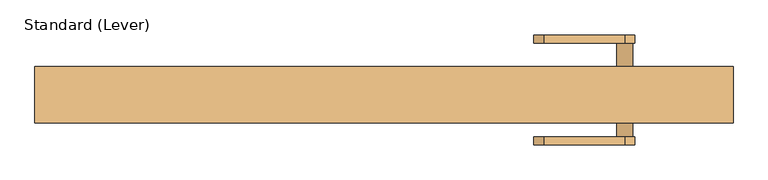
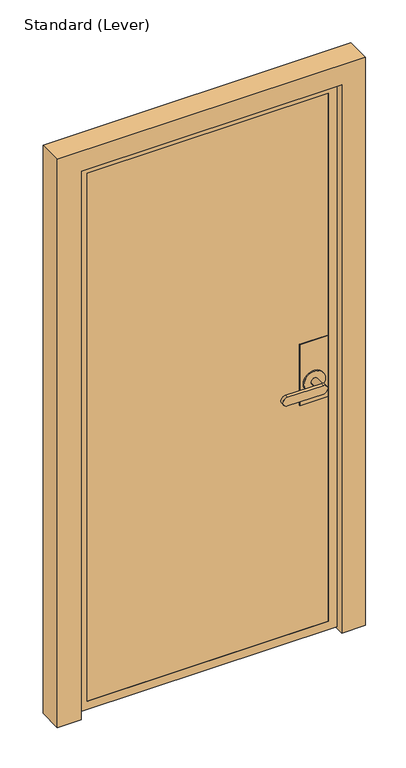
"""IFC4 building model written with IfcOpenShell, lengths in millimetres: door geometry, Standard (Lever)."""

import ifcopenshell
import ifcopenshell.guid

model = None  # the IFC model being written
_history = None  # IfcOwnerHistory: only IFC2X3 demands one
_inside = {}  # id of a spatial element -> (the spatial element, [elements in it])
_under = {}  # id of a project, library or spatial element -> (it, [spatial elements below it])
_declared = {}  # id of a project -> (the project, [libraries it declares])
_typed = {}  # id of a type object -> (the type object, [elements of that type])
_made_of = {}  # id of a material, layer set ... -> (it, [elements and type objects made of it])


def new_model(schema):
    """Start an empty IFC model of exactly this schema.

    Asked for "IFC4X3", IfcOpenShell would pick the latest addendum, in which some entities
    have other attributes; the version numbers below select the first issue.
    IFC2X3 requires an IfcOwnerHistory on every rooted entity: one is made here for all.
    """
    global model, _history
    if schema == "IFC4X3":
        model = ifcopenshell.file(schema_version=(4, 3, 0, 0))
    else:
        model = ifcopenshell.file(schema=schema)
    _inside.clear()
    _under.clear()
    _declared.clear()
    _typed.clear()
    _made_of.clear()
    _history = None
    if model.schema == "IFC2X3":
        org = make("IfcOrganization", Name="unknown")
        user = make(
            "IfcPersonAndOrganization",
            ThePerson=make("IfcPerson", FamilyName="unknown"),
            TheOrganization=org,
        )
        app = make(
            "IfcApplication",
            ApplicationDeveloper=org,
            Version="unknown",
            ApplicationFullName="unknown",
            ApplicationIdentifier="unknown",
        )
        _history = make(
            "IfcOwnerHistory",
            OwningUser=user,
            OwningApplication=app,
            ChangeAction="ADDED",
            CreationDate=0,
        )
    return model


def make(cls, **values):
    """One entity of the class cls with the attributes given. An attribute that is None is left unset."""
    return model.create_entity(
        cls, **{name: value for name, value in values.items() if value is not None}
    )


def rooted(cls, **values):
    """An entity with a GlobalId (a new one), such as an element, a storey or a relation."""
    return make(cls, GlobalId=ifcopenshell.guid.new(), OwnerHistory=_history, **values)


def si_unit(unit_type, name, prefix=None):
    """IfcSIUnit, for example si_unit("LENGTHUNIT", "METRE", prefix="MILLI")."""
    return make("IfcSIUnit", UnitType=unit_type, Prefix=prefix, Name=name)


def assignment(units):
    """IfcUnitAssignment: the units of a project."""
    return None if units is None else make("IfcUnitAssignment", Units=units)


def point(xyz):
    """IfcCartesianPoint."""
    return None if xyz is None else make("IfcCartesianPoint", Coordinates=xyz)


def direction(xyz):
    """IfcDirection."""
    return None if xyz is None else make("IfcDirection", DirectionRatios=xyz)


def frame(location, z_axis=None, x_axis=None):
    """IfcAxis2Placement3D, a coordinate frame: its origin and axes. An axis left out is left unset."""
    return make(
        "IfcAxis2Placement3D",
        Location=point(location),
        Axis=direction(z_axis),
        RefDirection=direction(x_axis),
    )


def origin():
    """The frame at (0, 0, 0) with its axes left unset."""
    return frame((0.0, 0.0, 0.0))


def place(relative_to, where):
    """IfcLocalPlacement: puts the frame where relative to a parent placement (None: the world)."""
    return make(
        "IfcLocalPlacement", PlacementRelTo=relative_to, RelativePlacement=where
    )


def context(
    kind, dimensions, precision=None, world=None, true_north=None, identifier=None
):
    """IfcGeometricRepresentationContext, for example the 3D "Model" context."""
    return make(
        "IfcGeometricRepresentationContext",
        ContextIdentifier=identifier,
        ContextType=kind,
        CoordinateSpaceDimension=dimensions,
        Precision=precision,
        WorldCoordinateSystem=world,
        TrueNorth=true_north,
    )


def project(units=None, contexts=None):
    """IfcProject with its units and contexts."""
    return rooted(
        "IfcProject",
        Name="project",
        RepresentationContexts=contexts,
        UnitsInContext=assignment(units),
    )


def spatial(cls, under=None, at=None, **own):
    """A site, building, storey or space (cls), placed at a placement, below another one or the project."""
    s = rooted(cls, ObjectPlacement=at, **own)
    if under is not None:
        _under.setdefault(under.id(), (under, []))[1].append(s)
    return s


def polyline(points):
    """IfcPolyline through the points."""
    return make("IfcPolyline", Points=[point(p) for p in points])


def circle_curve(where, radius):
    """IfcCircle in the frame where."""
    return make("IfcCircle", Position=where, Radius=radius)


def outline(outer, holes=None, kind="AREA"):
    """IfcArbitraryClosedProfileDef: a profile drawn as a closed curve; with holes, ...WithVoids."""
    if holes is None:
        return make("IfcArbitraryClosedProfileDef", ProfileType=kind, OuterCurve=outer)
    return make(
        "IfcArbitraryProfileDefWithVoids",
        ProfileType=kind,
        OuterCurve=outer,
        InnerCurves=holes,
    )


def extrude(swept, where, along, depth):
    """IfcExtrudedAreaSolid: the profile swept, set in the frame where, extruded along a direction by depth."""
    return make(
        "IfcExtrudedAreaSolid",
        SweptArea=swept,
        Position=where,
        ExtrudedDirection=direction(along),
        Depth=depth,
    )


def faces_of(points, faces, orient=None, outer=None):
    """IfcFace entities. A face is a list of loops; a loop is a list of indices into points, from 0.

    orient and outer hold one flag for each loop. By default every Orientation is true, the
    first loop of a face is its IfcFaceOuterBound and the others are IfcFaceBound.
    """
    made = []
    for i, loops in enumerate(faces):
        bounds = []
        for j, loop in enumerate(loops):
            is_outer = j == 0 if outer is None else outer[i][j]
            bounds.append(
                make(
                    "IfcFaceOuterBound" if is_outer else "IfcFaceBound",
                    Bound=make("IfcPolyLoop", Polygon=[points[k] for k in loop]),
                    Orientation=True if orient is None else orient[i][j],
                )
            )
        made.append(make("IfcFace", Bounds=bounds))
    return made


def faceted_brep(points, faces, orient=None, outer=None, voids=None):
    """IfcFacetedBrep: a solid bounded by flat faces; with voids (closed shells), ...WithVoids."""
    shared = [point(p) for p in points]
    hull = make("IfcClosedShell", CfsFaces=faces_of(shared, faces, orient, outer))
    if voids is None:
        return make("IfcFacetedBrep", Outer=hull)
    return make(
        "IfcFacetedBrepWithVoids",
        Outer=hull,
        Voids=[
            make(cls, CfsFaces=faces_of(shared, fs, o, b)) for cls, fs, o, b in voids
        ],
    )


def shape(context_of_items, identifier, shape_type, items):
    """IfcShapeRepresentation: the items that make up one representation, for example the "Body"."""
    return make(
        "IfcShapeRepresentation",
        ContextOfItems=context_of_items,
        RepresentationIdentifier=identifier,
        RepresentationType=shape_type,
        Items=items,
    )


def source(mapping_origin, context_of_items, identifier, shape_type, items):
    """IfcRepresentationMap: a shape defined once, which mapped items show again and again."""
    return make(
        "IfcRepresentationMap",
        MappingOrigin=mapping_origin,
        MappedRepresentation=shape(context_of_items, identifier, shape_type, items),
    )


def transform(
    local_origin,
    x_axis=None,
    y_axis=None,
    z_axis=None,
    scale=None,
    scale2=None,
    scale3=None,
    uniform=True,
):
    """IfcCartesianTransformationOperator3D, or its non-uniform kind. x_axis, y_axis, z_axis: its Axis1, 2, 3."""
    if uniform:
        return make(
            "IfcCartesianTransformationOperator3D",
            Axis1=direction(x_axis),
            Axis2=direction(y_axis),
            LocalOrigin=point(local_origin),
            Scale=scale,
            Axis3=direction(z_axis),
        )
    return make(
        "IfcCartesianTransformationOperator3DnonUniform",
        Axis1=direction(x_axis),
        Axis2=direction(y_axis),
        LocalOrigin=point(local_origin),
        Scale=scale,
        Axis3=direction(z_axis),
        Scale2=scale2,
        Scale3=scale3,
    )


def mapped(mapping_source, mapping_target):
    """IfcMappedItem: shows the shape of a source again, moved by a transform."""
    return make(
        "IfcMappedItem", MappingSource=mapping_source, MappingTarget=mapping_target
    )


def made_of(thing, what):
    """Note that an element or type object is made of a material, layer set ...; save() writes the relation."""
    if what is not None:
        _made_of.setdefault(what.id(), (what, []))[1].append(thing)
    return thing


def element(
    cls,
    number,
    at=None,
    inside=None,
    cuts=None,
    type_object=None,
    material=None,
    context=None,
    identifier="Body",
    shape_type=None,
    held_by="IfcProductDefinitionShape",
    body=None,
    shapes=None,
    **own,
):
    """One element of the class cls, such as IfcWall. Its Tag is "e" and its number.

    at: its placement. inside: the storey or other place that contains it. cuts: it is an
    opening in that element (IfcRelVoidsElement). A single representation is given by context,
    identifier, shape_type and body (its items); several are given by shapes. held_by: the class
    of the entity that holds the representations. save() writes the other relations.
    """
    e = rooted(cls, Tag="e%d" % number, ObjectPlacement=at, **own)
    if body is not None:
        shapes = [shape(context, identifier, shape_type, body)]
    if shapes is not None:
        e.Representation = make(held_by, Representations=shapes)
    if inside is not None:
        _inside.setdefault(inside.id(), (inside, []))[1].append(e)
    if cuts is not None:
        rooted(
            "IfcRelVoidsElement", RelatingBuildingElement=cuts, RelatedOpeningElement=e
        )
    if type_object is not None:
        _typed.setdefault(type_object.id(), (type_object, []))[1].append(e)
    return made_of(e, material)


def aggregate(whole, parts):
    """IfcRelAggregates: a whole, such as a stair, and the parts it consists of."""
    return rooted("IfcRelAggregates", RelatingObject=whole, RelatedObjects=parts)


def save(model, path):
    """Write the relations noted so far, then the file.

    IfcRelAggregates (storeys below a building ...), IfcRelContainedInSpatialStructure (elements
    in a storey), IfcRelDefinesByType, IfcRelAssociatesMaterial and IfcRelDeclares: one each for
    every whole, place, type object, material and project.
    """
    for whole, parts in _under.values():
        aggregate(whole, parts)
    for where, things in _inside.values():
        rooted(
            "IfcRelContainedInSpatialStructure",
            RelatedElements=things,
            RelatingStructure=where,
        )
    for kind, things in _typed.values():
        rooted("IfcRelDefinesByType", RelatedObjects=things, RelatingType=kind)
    for what, things in _made_of.values():
        rooted("IfcRelAssociatesMaterial", RelatedObjects=things, RelatingMaterial=what)
    for by, libraries in _declared.values():
        rooted("IfcRelDeclares", RelatingContext=by, RelatedDefinitions=libraries)
    model.write(path)


def plane_surface(at):
    """IfcPlane: the flat surface through the origin of the frame at, square to its z axis."""
    return make("IfcPlane", Position=at)


def cylinder_surface(at, radius):
    """IfcCylindricalSurface: all points at the distance radius from the z axis of the frame at."""
    return make("IfcCylindricalSurface", Position=at, Radius=radius)


def advanced_brep(points, edges, surfaces, faces):
    """IfcAdvancedBrep: a solid bounded by faces that lie on surfaces and meet in shared edges.

    An edge is (start, end): straight between two places in points (the first is 0);
    or (start, end, curve); or (start, end, curve, False) where it runs against its curve.
    A face is (place in surfaces, loops), or (place, loops, False) where it looks against
    its surface's normal. A loop lists edges by number (the first is 1), with a minus sign
    where the edge is run from its end to its start. The first loop is the outer one.
    """
    corners = [point(p) for p in points]
    vertices = [make("IfcVertexPoint", VertexGeometry=c) for c in corners]
    made = []
    for start, end, *more in edges:
        made.append(
            make(
                "IfcEdgeCurve",
                EdgeStart=vertices[start],
                EdgeEnd=vertices[end],
                EdgeGeometry=more[0] if more else make("IfcPolyline", Points=[corners[start], corners[end]]),
                SameSense=more[1] if len(more) > 1 else True,
            )
        )
    hull = []
    for where, loops, *sense in faces:
        bounds = []
        for j, loop in enumerate(loops):
            ring = [make("IfcOrientedEdge", EdgeElement=made[abs(k) - 1], Orientation=k > 0) for k in loop]
            bounds.append(
                make(
                    "IfcFaceOuterBound" if j == 0 else "IfcFaceBound",
                    Bound=make("IfcEdgeLoop", EdgeList=ring),
                    Orientation=True,
                )
            )
        hull.append(make("IfcAdvancedFace", Bounds=bounds, FaceSurface=surfaces[where], SameSense=sense[0] if sense else True))
    return make("IfcAdvancedBrep", Outer=make("IfcClosedShell", CfsFaces=hull))


def standard_lever_21b84342(model_context):
    return source(origin(), model_context, "Body", "SolidModel", [
        faceted_brep([(534.9875, -10.31875, 1117.6), (534.9875, 26.19375, 1117.6), (433.3875, 26.19375, 1117.6), (433.3875, -10.31875, 1117.6), (534.9875, -10.31875, 889.0), (433.3875, -10.31875, 889.0), (433.3875, 26.19375, 889.0), (534.9875, 26.19375, 889.0)], [[[0, 1, 2, 3]], [[4, 5, 6, 7]], [[1, 0, 4, 7]], [[2, 1, 7, 6]], [[3, 2, 6, 5]], [[0, 3, 5, 4]]]),
        advanced_brep(
        [(534.9875, 35.71875, 1117.6), (534.9875, 37.30625, 1117.6), (433.3875, 37.30625, 1117.6), (433.3875, 35.71875, 1117.6), (534.9875, 35.71875, 889.0), (433.3875, 35.71875, 889.0), (433.3875, 37.30625, 889.0), (534.9875, 37.30625, 889.0), (446.0875, 37.30625, 965.2), (522.2875, 37.30625, 965.2), (522.2875, 42.06875, 965.2), (446.0875, 42.06875, 965.2), (471.4875, 42.06875, 965.2), (496.8875, 42.06875, 965.2), (496.8875, 81.75625, 965.2), (471.4875, 81.75625, 965.2), (357.1875, 94.45625, 949.325), (357.1875, 94.45625, 981.075), (484.1875, 94.45625, 981.075), (484.1875, 94.45625, 949.325), (357.1875, 81.75625, 949.325), (484.1875, 81.75625, 949.325), (484.1875, 81.75625, 981.075), (357.1875, 81.75625, 981.075)],
        [
            (0, 1),
            (1, 2),
            (2, 3),
            (3, 0),
            (4, 5),
            (5, 6),
            (6, 7),
            (7, 4),
            (0, 4),
            (7, 1),
            (6, 2),
            (8, 9, circle_curve(frame((484.1875, 37.30625, 965.2), z_axis=(0.0, -1.0, 0.0), x_axis=(-1.0, 0.0, 0.0)), 38.1)),
            (9, 8, circle_curve(frame((484.1875, 37.30625, 965.2), z_axis=(0.0, -1.0, 0.0), x_axis=(-1.0, 0.0, 0.0)), 38.1)),
            (5, 3),
            (10, 11, circle_curve(frame((484.1875, 42.06875, 965.2), z_axis=(0.0, 1.0, 0.0), x_axis=(-1.0, 0.0, 0.0)), 38.1)),
            (11, 10, circle_curve(frame((484.1875, 42.06875, 965.2), z_axis=(0.0, 1.0, 0.0), x_axis=(-1.0, 0.0, 0.0)), 38.1)),
            (12, 13, circle_curve(frame((484.1875, 42.06875, 965.2), z_axis=(0.0, -1.0, 0.0), x_axis=(-1.0, 0.0, 0.0)), 12.7)),
            (13, 12, circle_curve(frame((484.1875, 42.06875, 965.2), z_axis=(0.0, -1.0, 0.0), x_axis=(-1.0, 0.0, 0.0)), 12.7)),
            (10, 9),
            (8, 11),
            (14, 13),
            (12, 15),
            (15, 14, circle_curve(frame((484.1875, 81.75625, 965.2), z_axis=(0.0, -1.0, 0.0), x_axis=(-1.0, 0.0, 0.0)), 12.7)),
            (14, 15, circle_curve(frame((484.1875, 81.75625, 965.2), z_axis=(0.0, -1.0, 0.0), x_axis=(-1.0, 0.0, 0.0)), 12.7)),
            (16, 17, circle_curve(frame((357.1875, 94.45625, 965.2), z_axis=(0.0, 1.0, 0.0), x_axis=(-1.0, 0.0, 0.0)), 15.875)),
            (17, 18),
            (18, 19, circle_curve(frame((484.1875, 94.45625, 965.2), z_axis=(0.0, 1.0, 0.0), x_axis=(-1.0, 0.0, 0.0)), 15.875)),
            (19, 16),
            (20, 21),
            (21, 22, circle_curve(frame((484.1875, 81.75625, 965.2), z_axis=(0.0, -1.0, 0.0), x_axis=(-1.0, 0.0, 0.0)), 15.875)),
            (22, 23),
            (23, 20, circle_curve(frame((357.1875, 81.75625, 965.2), z_axis=(0.0, -1.0, 0.0), x_axis=(-1.0, 0.0, 0.0)), 15.875)),
            (16, 20),
            (23, 17),
            (22, 18),
            (21, 19),
        ],
        [
            plane_surface(frame((534.9875, -21.43125, 1117.6), z_axis=(0.0, 0.0, 1.0), x_axis=(0.0, 1.0, 0.0))),
            plane_surface(frame((534.9875, -21.43125, 889.0), z_axis=(0.0, 0.0, -1.0), x_axis=(0.0, -1.0, 0.0))),
            plane_surface(frame((534.9875, 35.71875, 1117.6), z_axis=(1.0, 0.0, 0.0), x_axis=(0.0, 0.0, -1.0))),
            plane_surface(frame((534.9875, 37.30625, 1117.6), z_axis=(0.0, 1.0, 0.0), x_axis=(0.0, 0.0, -1.0))),
            plane_surface(frame((433.3875, 37.30625, 1117.6), z_axis=(-1.0, 0.0, 0.0), x_axis=(0.0, 0.0, -1.0))),
            plane_surface(frame((433.3875, 35.71875, 1117.6), z_axis=(0.0, -1.0, 0.0), x_axis=(0.0, 0.0, -1.0))),
            plane_surface(frame((446.0875, 42.06875, 965.2), z_axis=(0.0, 1.0, 0.0), x_axis=(0.0, 0.0, 1.0))),
            cylinder_surface(frame((484.1875, 37.30625, 965.2), z_axis=(0.0, 1.0, 0.0), x_axis=(-1.0, 0.0, 0.0)), 38.1),
            cylinder_surface(frame((484.1875, 37.30625, 965.2), z_axis=(0.0, 1.0, 0.0), x_axis=(-1.0, 0.0, 0.0)), 12.7),
            plane_surface(frame((341.3125, 94.45625, 965.2), z_axis=(0.0, 1.0, 0.0), x_axis=(0.0, 0.0, 1.0))),
            plane_surface(frame((341.3125, 81.75625, 965.2), z_axis=(0.0, -1.0, 0.0), x_axis=(0.0, 0.0, -1.0))),
            cylinder_surface(frame((357.1875, 81.75625, 965.2), z_axis=(0.0, 1.0, 0.0), x_axis=(-1.0, 0.0, 0.0)), 15.875),
            plane_surface(frame((357.1875, 94.45625, 981.075), z_axis=(0.0, 0.0, 1.0), x_axis=(0.0, -1.0, 0.0))),
            cylinder_surface(frame((484.1875, 81.75625, 965.2), z_axis=(0.0, 1.0, 0.0), x_axis=(-1.0, 0.0, 0.0)), 15.875),
            plane_surface(frame((484.1875, 94.45625, 949.325), z_axis=(0.0, 0.0, -1.0), x_axis=(0.0, -1.0, 0.0))),
        ],
        [
            (0, [[1, 2, 3, 4]]),
            (1, [[5, 6, 7, 8]]),
            (2, [[-1, 9, -8, 10]]),
            (3, [[-2, -10, -7, 11], [12, 13]]),
            (4, [[-3, -11, -6, 14]]),
            (5, [[-4, -14, -5, -9]]),
            (6, [[15, 16], [17, 18]]),
            (7, [[-15, 19, -12, 20]]),
            (7, [[-16, -20, -13, -19]]),
            (8, [[21, -17, 22, 23]]),
            (8, [[-21, 24, -22, -18]]),
            (9, [[25, 26, 27, 28]]),
            (10, [[29, 30, 31, 32], [-23, -24]]),
            (11, [[-25, 33, -32, 34]]),
            (12, [[-26, -34, -31, 35]]),
            (13, [[-27, -35, -30, 36]]),
            (14, [[-28, -36, -29, -33]]),
        ],
    ),
        advanced_brep(
        [(534.9875, -21.43125, 1117.6), (534.9875, -19.84375, 1117.6), (433.449678, -19.84375, 1117.6), (433.449678, -21.43125, 1117.6), (534.9875, -21.43125, 889.0), (433.449678, -21.43125, 889.0), (433.449678, -19.84375, 889.0), (534.9875, -19.84375, 889.0), (496.8875, -26.19375, 965.2), (496.8875, -65.88125, 965.2), (471.4875, -65.88125, 965.2), (471.4875, -26.19375, 965.2), (522.2875, -26.19375, 965.2), (446.0875, -26.19375, 965.2), (446.0875, -21.43125, 965.2), (522.2875, -21.43125, 965.2), (484.1875, -65.88125, 949.325), (357.1875, -65.88125, 949.325), (357.1875, -65.88125, 981.075), (484.1875, -65.88125, 981.075), (484.1875, -78.58125, 949.325), (484.1875, -78.58125, 981.075), (357.1875, -78.58125, 981.075), (357.1875, -78.58125, 949.325)],
        [
            (0, 1),
            (1, 2),
            (2, 3),
            (3, 0),
            (4, 5),
            (5, 6),
            (6, 7),
            (7, 4),
            (8, 9),
            (9, 10, circle_curve(frame((484.1875, -65.88125, 965.2), z_axis=(0.0, 1.0, 0.0), x_axis=(-1.0, 0.0, 0.0)), 12.7)),
            (10, 11),
            (11, 8, circle_curve(frame((484.1875, -26.19375, 965.2), z_axis=(0.0, -1.0, 0.0), x_axis=(-1.0, 0.0, 0.0)), 12.7)),
            (8, 11, circle_curve(frame((484.1875, -26.19375, 965.2), z_axis=(0.0, -1.0, 0.0), x_axis=(-1.0, 0.0, 0.0)), 12.7)),
            (10, 9, circle_curve(frame((484.1875, -65.88125, 965.2), z_axis=(0.0, 1.0, 0.0), x_axis=(-1.0, 0.0, 0.0)), 12.7)),
            (12, 13, circle_curve(frame((484.1875, -26.19375, 965.2), z_axis=(0.0, -1.0, 0.0), x_axis=(-1.0, 0.0, 0.0)), 38.1)),
            (13, 12, circle_curve(frame((484.1875, -26.19375, 965.2), z_axis=(0.0, -1.0, 0.0), x_axis=(-1.0, 0.0, 0.0)), 38.1)),
            (13, 14),
            (14, 15, circle_curve(frame((484.1875, -21.43125, 965.2), z_axis=(0.0, -1.0, 0.0), x_axis=(-1.0, 0.0, 0.0)), 38.1)),
            (15, 12),
            (15, 14, circle_curve(frame((484.1875, -21.43125, 965.2), z_axis=(0.0, -1.0, 0.0), x_axis=(-1.0, 0.0, 0.0)), 38.1)),
            (16, 17),
            (17, 18, circle_curve(frame((357.1875, -65.88125, 965.2), z_axis=(0.0, 1.0, 0.0), x_axis=(-1.0, 0.0, 0.0)), 15.875)),
            (18, 19),
            (19, 16, circle_curve(frame((484.1875, -65.88125, 965.2), z_axis=(0.0, 1.0, 0.0), x_axis=(-1.0, 0.0, 0.0)), 15.875)),
            (20, 21, circle_curve(frame((484.1875, -78.58125, 965.2), z_axis=(0.0, -1.0, 0.0), x_axis=(-1.0, 0.0, 0.0)), 15.875)),
            (21, 22),
            (22, 23, circle_curve(frame((357.1875, -78.58125, 965.2), z_axis=(0.0, -1.0, 0.0), x_axis=(-1.0, 0.0, 0.0)), 15.875)),
            (23, 20),
            (16, 20),
            (23, 17),
            (22, 18),
            (21, 19),
            (0, 4),
            (7, 1),
            (6, 2),
            (5, 3),
        ],
        [
            plane_surface(frame((534.9875, -21.43125, 1117.6), z_axis=(0.0, 0.0, 1.0), x_axis=(0.0, 1.0, 0.0))),
            plane_surface(frame((534.9875, -21.43125, 889.0), z_axis=(0.0, 0.0, -1.0), x_axis=(0.0, -1.0, 0.0))),
            cylinder_surface(frame((484.1875, -65.88125, 965.2), z_axis=(0.0, 1.0, 0.0), x_axis=(-1.0, 0.0, 0.0)), 12.7),
            plane_surface(frame((446.0875, -26.19375, 965.2), z_axis=(0.0, -1.0, 0.0), x_axis=(0.0, 0.0, -1.0))),
            cylinder_surface(frame((484.1875, -26.19375, 965.2), z_axis=(0.0, 1.0, 0.0), x_axis=(-1.0, 0.0, 0.0)), 38.1),
            plane_surface(frame((484.1875, -65.88125, 949.325), z_axis=(0.0, 1.0, 0.0), x_axis=(-1.0, 0.0, 0.0))),
            plane_surface(frame((484.1875, -78.58125, 949.325), z_axis=(0.0, -1.0, 0.0), x_axis=(1.0, 0.0, 0.0))),
            plane_surface(frame((484.1875, -65.88125, 949.325), z_axis=(0.0, 0.0, -1.0), x_axis=(0.0, -1.0, 0.0))),
            cylinder_surface(frame((357.1875, -78.58125, 965.2), z_axis=(0.0, 1.0, 0.0), x_axis=(-1.0, 0.0, 0.0)), 15.875),
            plane_surface(frame((357.1875, -65.88125, 981.075), z_axis=(0.0, 0.0, 1.0), x_axis=(0.0, -1.0, 0.0))),
            cylinder_surface(frame((484.1875, -78.58125, 965.2), z_axis=(0.0, 1.0, 0.0), x_axis=(-1.0, 0.0, 0.0)), 15.875),
            plane_surface(frame((534.9875, -21.43125, 1117.6), z_axis=(1.0, 0.0, 0.0), x_axis=(0.0, 0.0, -1.0))),
            plane_surface(frame((534.9875, -19.84375, 1117.6), z_axis=(0.0, 1.0, 0.0), x_axis=(0.0, 0.0, -1.0))),
            plane_surface(frame((433.449678, -19.84375, 1117.6), z_axis=(-1.0, 0.0, 0.0), x_axis=(0.0, 0.0, -1.0))),
            plane_surface(frame((433.449678, -21.43125, 1117.6), z_axis=(0.0, -1.0, 0.0), x_axis=(0.0, 0.0, -1.0))),
        ],
        [
            (0, [[1, 2, 3, 4]]),
            (1, [[5, 6, 7, 8]]),
            (2, [[9, 10, 11, 12]]),
            (2, [[-9, 13, -11, 14]]),
            (3, [[15, 16], [-12, -13]]),
            (4, [[-16, 17, 18, 19]]),
            (4, [[-15, -19, 20, -17]]),
            (5, [[21, 22, 23, 24], [-10, -14]]),
            (6, [[25, 26, 27, 28]]),
            (7, [[-21, 29, -28, 30]]),
            (8, [[-22, -30, -27, 31]]),
            (9, [[-23, -31, -26, 32]]),
            (10, [[-24, -32, -25, -29]]),
            (11, [[-1, 33, -8, 34]]),
            (12, [[-2, -34, -7, 35]]),
            (13, [[-3, -35, -6, 36]]),
            (14, [[-4, -36, -5, -33], [-18, -20]]),
        ],
    ),
        extrude(outline(polyline([(547.6875, 35.71875), (547.6875, 26.19375), (-334.9625, 26.19375), (-334.9625, 35.71875), (547.6875, 35.71875)])), frame((0.0, 0.0, 30.1625), z_axis=(0.0, 0.0, 1.0), x_axis=(1.0, 0.0, 0.0)), (0.0, 0.0, 1.0), 2008.1875),
        extrude(outline(polyline([(547.6875, -10.31875), (547.6875, -19.84375), (-334.9625, -19.84375), (-334.9625, -10.31875), (547.6875, -10.31875)])), frame((0.0, 0.0, 30.1625), z_axis=(0.0, 0.0, 1.0), x_axis=(1.0, 0.0, 0.0)), (0.0, 0.0, 1.0), 2008.1875),
        faceted_brep([(-322.2625, 26.19375, 2025.65), (-322.2625, -10.31875, 2025.65), (-322.2625, -10.31875, 42.8625), (-322.2625, 26.19375, 42.8625), (547.6875, -10.31875, 30.1625), (547.6875, -10.31875, 2038.35), (-334.9625, -10.31875, 2038.35), (-334.9625, -10.31875, 30.1625), (534.9875, -10.31875, 2025.65), (534.9875, -10.31875, 42.8625), (534.9875, 26.19375, 42.8625), (547.6875, 26.19375, 30.1625), (-334.9625, 26.19375, 30.1625), (-334.9625, 26.19375, 2038.35), (547.6875, 26.19375, 2038.35), (534.9875, 26.19375, 2025.65), (-334.9625, 35.71875, 2038.35), (-334.9625, 35.71875, 30.1625), (547.6875, 35.71875, 30.1625), (547.6875, 35.71875, 2038.35), (534.9875, 35.71875, 42.8625), (-322.2625, 35.71875, 42.8625), (-322.2625, 35.71875, 2025.65), (534.9875, 35.71875, 2025.65), (-322.2625, 37.30625, 2025.65), (-322.2625, 37.30625, 42.8625), (534.9875, 37.30625, 42.8625), (549.275, 37.30625, 28.575), (-336.55, 37.30625, 28.575), (-336.55, 37.30625, 2039.9375), (549.275, 37.30625, 2039.9375), (534.9875, 37.30625, 2025.65), (-336.55, 23.01875, 2039.9375), (-336.55, 23.01875, 28.575), (549.275, 23.01875, 28.575), (565.15, 23.01875, 12.7), (-352.425, 23.01875, 12.7), (-352.425, 23.01875, 2055.8125), (565.15, 23.01875, 2055.8125), (549.275, 23.01875, 2039.9375), (-352.425, -21.43125, 2055.8125), (-352.425, -21.43125, 12.7), (565.15, -21.43125, 12.7), (565.15, -21.43125, 2055.8125), (534.9875, -21.43125, 42.8625), (-322.2625, -21.43125, 42.8625), (-322.2625, -21.43125, 2025.65), (534.9875, -21.43125, 2025.65), (-322.2625, -19.84375, 42.8625), (534.9875, -19.84375, 42.8625), (-322.2625, -19.84375, 2025.65), (534.9875, -19.84375, 2025.65), (-334.9625, -19.84375, 30.1625), (-334.9625, -19.84375, 2038.35), (547.6875, -19.84375, 2038.35), (547.6875, -19.84375, 30.1625)], [[[0, 1, 2, 3]], [[4, 5, 6, 7], [2, 1, 8, 9]], [[3, 2, 9, 10]], [[11, 12, 13, 14], [3, 10, 15, 0]], [[16, 13, 12, 17]], [[17, 12, 11, 18]], [[17, 18, 19, 16], [20, 21, 22, 23]], [[24, 22, 21, 25]], [[25, 21, 20, 26]], [[27, 28, 29, 30], [25, 26, 31, 24]], [[32, 29, 28, 33]], [[33, 28, 27, 34]], [[35, 36, 37, 38], [33, 34, 39, 32]], [[40, 37, 36, 41]], [[41, 36, 35, 42]], [[41, 42, 43, 40], [44, 45, 46, 47]], [[10, 9, 8, 15]], [[18, 11, 14, 19]], [[26, 20, 23, 31]], [[34, 27, 30, 39]], [[42, 35, 38, 43]], [[48, 45, 44, 49]], [[50, 46, 45, 48]], [[49, 44, 47, 51]], [[52, 53, 54, 55], [49, 51, 50, 48]], [[6, 53, 52, 7]], [[7, 52, 55, 4]], [[4, 55, 54, 5]], [[15, 8, 1, 0]], [[19, 14, 13, 16]], [[31, 23, 22, 24]], [[39, 30, 29, 32]], [[43, 38, 37, 40]], [[51, 47, 46, 50]], [[5, 54, 53, 6]]]),
        faceted_brep([(569.9125, 44.45, 0.0), (654.05, 44.45, 0.0), (654.05, -44.45, 0.0), (569.9125, -44.45, 0.0), (569.9125, 26.9875, 0.0), (555.625, 26.9875, 0.0), (555.625, 38.1, 0.0), (569.9125, 38.1, 0.0), (569.9125, 44.45, 2060.575), (-357.1875, 44.45, 2060.575), (-357.1875, 44.45, 0.0), (-441.325, 44.45, 0.0), (-441.325, 44.45, 2133.6), (654.05, 44.45, 2133.6), (654.05, -44.45, 2133.6), (-441.325, -44.45, 2133.6), (-441.325, -44.45, 0.0), (-357.1875, -44.45, 0.0), (-357.1875, -44.45, 2060.575), (569.9125, -44.45, 2060.575), (569.9125, 26.9875, 2060.575), (-357.1875, 26.9875, 2060.575), (-357.1875, 26.9875, 0.0), (-342.9, 26.9875, 0.0), (-342.9, 26.9875, 2046.2875), (555.625, 26.9875, 2046.2875), (555.625, 38.1, 2046.2875), (-342.9, 38.1, 2046.2875), (-342.9, 38.1, 0.0), (-357.1875, 38.1, 0.0), (-357.1875, 38.1, 2060.575), (569.9125, 38.1, 2060.575)], [[[0, 1, 2, 3, 4, 5, 6, 7]], [[1, 0, 8, 9, 10, 11, 12, 13]], [[2, 1, 13, 14]], [[3, 2, 14, 15, 16, 17, 18, 19]], [[4, 3, 19, 20]], [[5, 4, 20, 21, 22, 23, 24, 25]], [[6, 5, 25, 26]], [[7, 6, 26, 27, 28, 29, 30, 31]], [[0, 7, 31, 8]], [[10, 29, 28, 23, 22, 17, 16, 11]], [[11, 16, 15, 12]], [[30, 29, 10, 9]], [[23, 28, 27, 24]], [[17, 22, 21, 18]], [[15, 14, 13, 12]], [[21, 20, 19, 18]], [[26, 25, 24, 27]], [[8, 31, 30, 9]]]),
    ])


if __name__ == "__main__":
    model = new_model("IFC4")
    model_context = context("Model", 3, world=origin())
    ifc_project = project(units=[si_unit("LENGTHUNIT", "METRE", prefix="MILLI")], contexts=[model_context])
    site = spatial("IfcSite", under=ifc_project)
    building = spatial("IfcBuilding", under=site)
    placement = place(None, origin())
    standard_lever_shape = standard_lever_21b84342(model_context)
    element("IfcDoor", 1, ObjectType="Standard (Lever)", at=placement, inside=building, context=model_context, shape_type="MappedRepresentation", body=[
        mapped(standard_lever_shape, transform((0.0, 0.0, 0.0), x_axis=(1.0, 0.0, 0.0), y_axis=(0.0, 1.0, 0.0), z_axis=(0.0, 0.0, 1.0))),
    ])
    save(model, "model.ifc")
